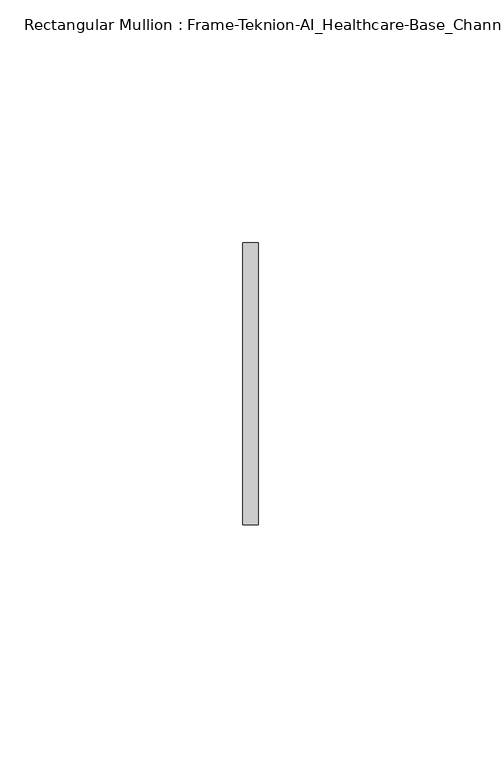
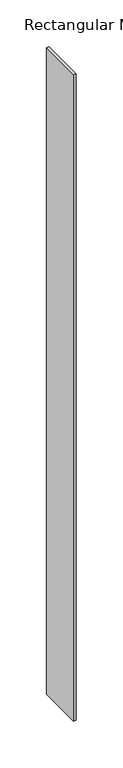
"""IFC4 building model written with IfcOpenShell, lengths in millimetres: member geometry, Rectangular Mullion : Frame-Teknion-AI_Healthcare-Base_Channel."""

from ifc_helpers import new_model, si_unit, frame, origin, place, context, project, spatial, polyline, outline, extrude, source, transform, mapped, element, save


def rectangular_mullion_frame_teknion_ai_healthcare_base_channel_7dc6bbf9(model_context):
    return source(origin(), model_context, "Body", "SweptSolid", [
        extrude(outline(polyline([(0.0, 29.0214844), (0.0, -29.0214844), (-3.175, -29.0214844), (-3.175, 29.0214844), (0.0, 29.0214844)])), frame((0.0, 0.0, -843.9982003), z_axis=(0.0, 0.0, 1.0), x_axis=(1.0, 0.0, 0.0)), (0.0, 0.0, 1.0), 843.9982003),
    ])


if __name__ == "__main__":
    model = new_model("IFC4")
    model_context = context("Model", 3, world=origin())
    ifc_project = project(units=[si_unit("LENGTHUNIT", "METRE", prefix="MILLI")], contexts=[model_context])
    site = spatial("IfcSite", under=ifc_project)
    building = spatial("IfcBuilding", under=site)
    placement = place(None, origin())
    rectangular_mullion_frame_teknion_ai_healthcare_base_channel_shape = rectangular_mullion_frame_teknion_ai_healthcare_base_channel_7dc6bbf9(model_context)
    element("IfcMember", 1, ObjectType="Rectangular Mullion : Frame-Teknion-AI_Healthcare-Base_Channel", at=placement, inside=building, context=model_context, shape_type="MappedRepresentation", body=[
        mapped(rectangular_mullion_frame_teknion_ai_healthcare_base_channel_shape, transform((0.0, 0.0, 0.0), x_axis=(1.0, 0.0, 0.0), y_axis=(0.0, 1.0, 0.0), z_axis=(0.0, 0.0, 1.0))),
    ])
    save(model, "model.ifc")
